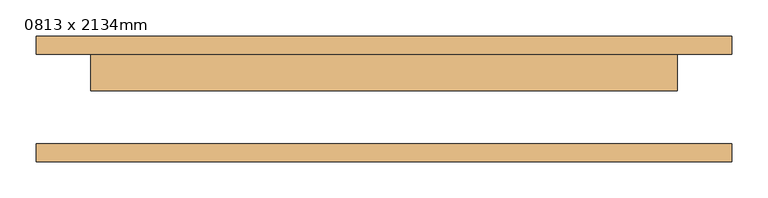
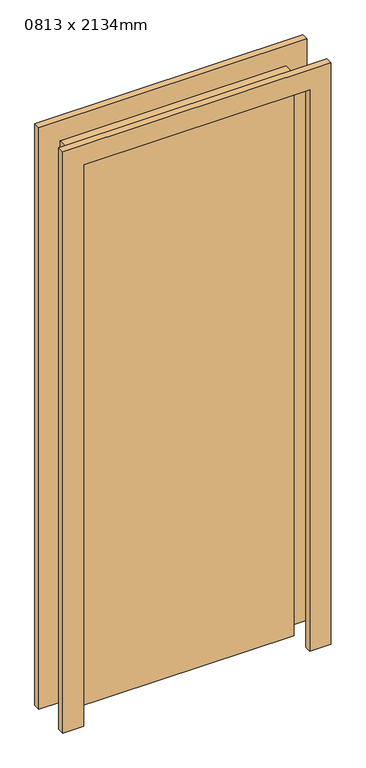
"""IFC4 building model written with IfcOpenShell, lengths in millimetres: door geometry, 0813 x 2134mm."""

from ifc_helpers import new_model, si_unit, frame, origin, origin_with_axes, place, context, project, spatial, polyline, outline, extrude, source, transform, mapped, element, save


def door_0813_x_2134mm_60f1c364(model_context):
    return source(origin(), model_context, "Body", "SweptSolid", [
        extrude(outline(polyline([(2210.0, -482.5), (0.0, -482.5), (0.0, -406.5), (2134.0, -406.5), (2134.0, 406.5), (0.0, 406.5), (0.0, 482.5), (2210.0, 482.5), (2210.0, -482.5)])), frame((0.0, 62.0, 0.0), z_axis=(0.0, 1.0, 0.0), x_axis=(0.0, 0.0, 1.0)), (0.0, 0.0, 1.0), 25.0),
        extrude(outline(polyline([(2210.0, 482.5), (2210.0, -482.5), (0.0, -482.5), (0.0, -406.5), (2134.0, -406.5), (2134.0, 406.5), (0.0, 406.5), (0.0, 482.5), (2210.0, 482.5)])), frame((0.0, -87.0, 0.0), z_axis=(0.0, 1.0, 0.0), x_axis=(0.0, 0.0, 1.0)), (0.0, 0.0, 1.0), 25.0),
        extrude(outline(polyline([(406.5, 11.0), (-406.5, 11.0), (-406.5, 62.0), (406.5, 62.0), (406.5, 11.0)])), origin_with_axes(), (0.0, 0.0, 1.0), 2134.0),
    ])


if __name__ == "__main__":
    model = new_model("IFC4")
    model_context = context("Model", 3, world=origin())
    ifc_project = project(units=[si_unit("LENGTHUNIT", "METRE", prefix="MILLI")], contexts=[model_context])
    site = spatial("IfcSite", under=ifc_project)
    building = spatial("IfcBuilding", under=site)
    placement = place(None, origin())
    door_0813_x_2134mm_shape = door_0813_x_2134mm_60f1c364(model_context)
    element("IfcDoor", 1, ObjectType="0813 x 2134mm", at=placement, inside=building, context=model_context, shape_type="MappedRepresentation", body=[
        mapped(door_0813_x_2134mm_shape, transform((0.0, 0.0, 0.0), x_axis=(1.0, 0.0, 0.0), y_axis=(0.0, 1.0, 0.0), z_axis=(0.0, 0.0, 1.0))),
    ])
    save(model, "model.ifc")
